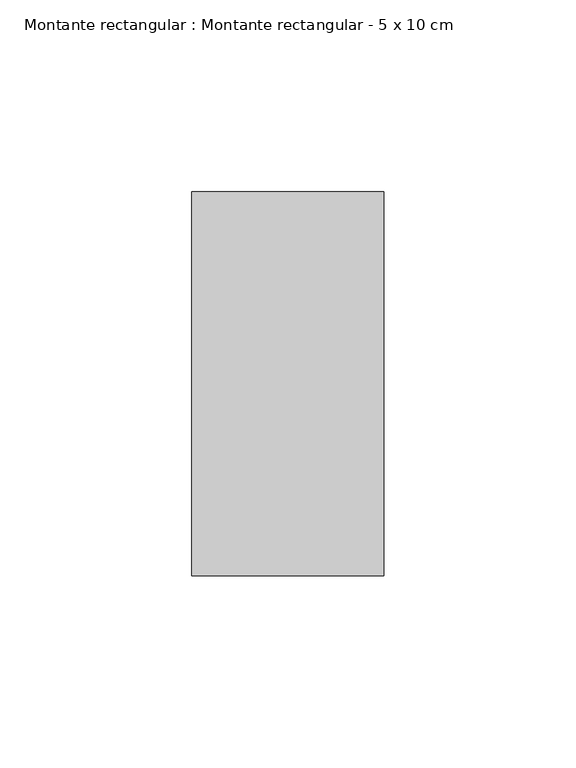
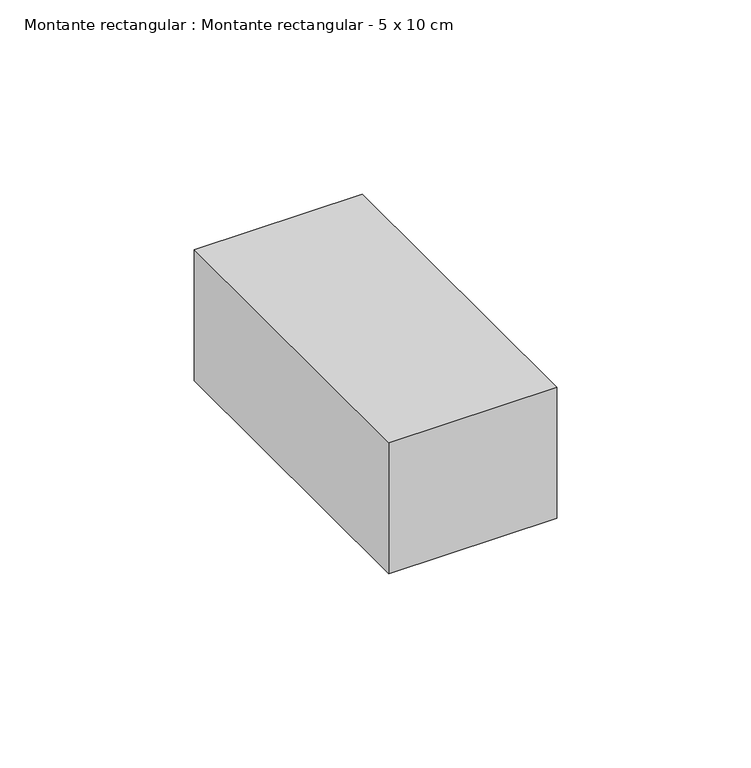
"""IFC4 building model written with IfcOpenShell, lengths in millimetres: member geometry, Montante rectangular : Montante rectangular - 5 x 10 cm."""

from ifc_helpers import new_model, si_unit, frame, origin, place, context, project, spatial, polyline, outline, extrude, source, transform, mapped, element, save


def montante_rectangular_montante_rectangular_5_x_10_cm_19c4e3c1(model_context):
    return source(origin(), model_context, "Body", "SweptSolid", [
        extrude(outline(polyline([(0.0, 50.0), (0.0, -50.0), (-50.0, -50.0), (-50.0, 50.0), (0.0, 50.0)])), frame((0.0, 0.0, -41.1), z_axis=(0.0, 0.0, 1.0), x_axis=(1.0, 0.0, 0.0)), (0.0, 0.0, 1.0), 41.1),
    ])


if __name__ == "__main__":
    model = new_model("IFC4")
    model_context = context("Model", 3, world=origin())
    ifc_project = project(units=[si_unit("LENGTHUNIT", "METRE", prefix="MILLI")], contexts=[model_context])
    site = spatial("IfcSite", under=ifc_project)
    building = spatial("IfcBuilding", under=site)
    placement = place(None, origin())
    montante_rectangular_montante_rectangular_5_x_10_cm_shape = montante_rectangular_montante_rectangular_5_x_10_cm_19c4e3c1(model_context)
    element("IfcMember", 1, ObjectType="Montante rectangular : Montante rectangular - 5 x 10 cm", at=placement, inside=building, context=model_context, shape_type="MappedRepresentation", body=[
        mapped(montante_rectangular_montante_rectangular_5_x_10_cm_shape, transform((0.0, 0.0, 0.0), x_axis=(1.0, 0.0, 0.0), y_axis=(0.0, 1.0, 0.0), z_axis=(0.0, 0.0, 1.0))),
    ])
    save(model, "model.ifc")
